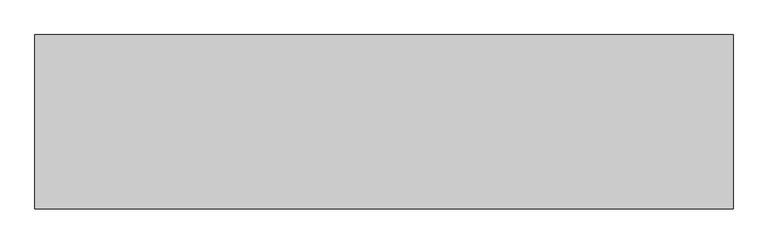
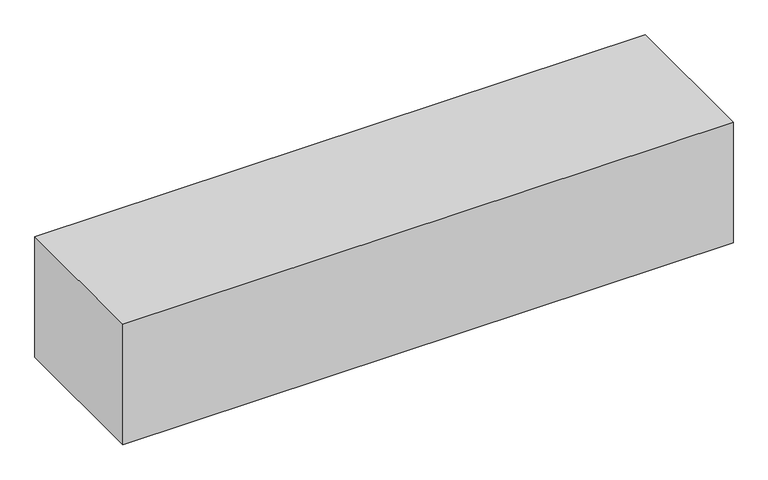
"""IFC4 building model written with IfcOpenShell, lengths in millimetres: beam geometry."""

from ifc_helpers import new_model, si_unit, origin, origin_with_axes, place, context, project, spatial, polyline, outline, extrude, source, transform, mapped, element, save


def beam_76f6d758(model_context):
    return source(origin(), model_context, "Body", "SweptSolid", [
        extrude(outline(polyline([(600.0, 150.0), (600.0, -150.0), (-600.0, -150.0), (-600.0, 150.0), (600.0, 150.0)])), origin_with_axes(), (0.0, 0.0, 1.0), 250.0),
    ])


if __name__ == "__main__":
    model = new_model("IFC4")
    model_context = context("Model", 3, world=origin())
    ifc_project = project(units=[si_unit("LENGTHUNIT", "METRE", prefix="MILLI")], contexts=[model_context])
    site = spatial("IfcSite", under=ifc_project)
    building = spatial("IfcBuilding", under=site)
    placement = place(None, origin())
    beam_shape = beam_76f6d758(model_context)
    element("IfcBeam", 1, at=placement, inside=building, context=model_context, shape_type="MappedRepresentation", body=[
        mapped(beam_shape, transform((0.0, 0.0, 0.0), x_axis=(1.0, 0.0, 0.0), y_axis=(0.0, 1.0, 0.0), z_axis=(0.0, 0.0, 1.0))),
    ])
    save(model, "model.ifc")
